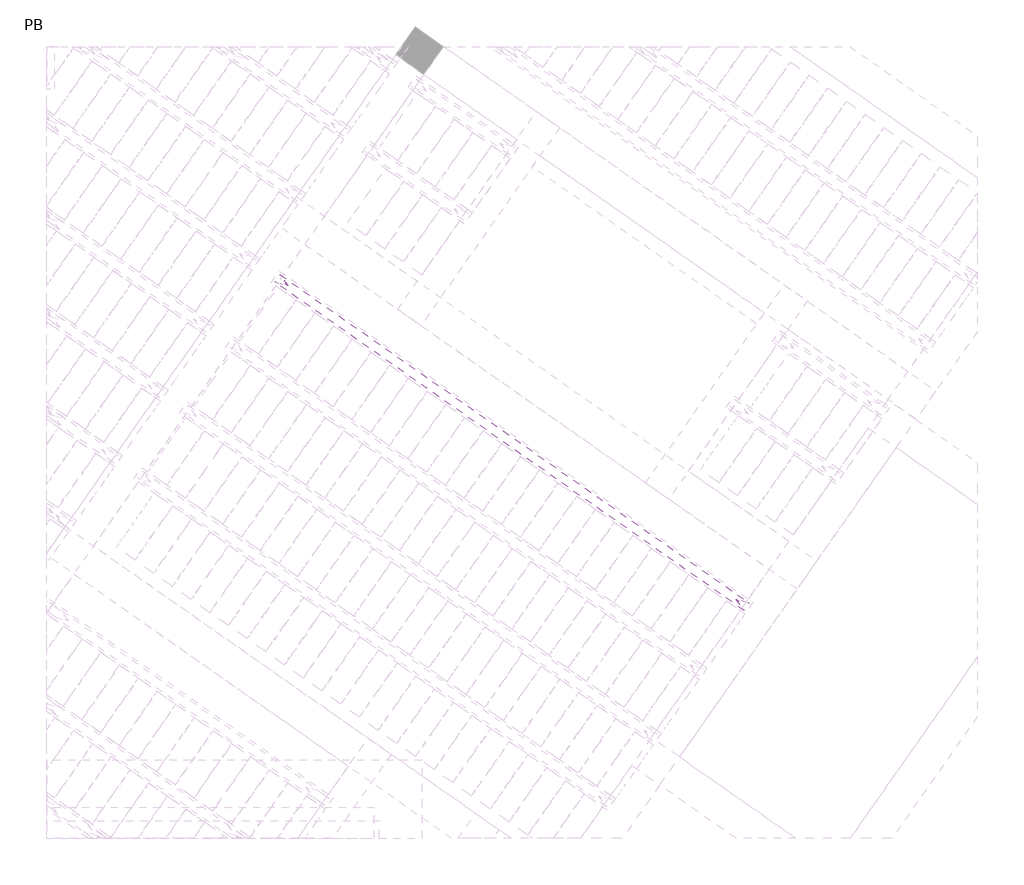
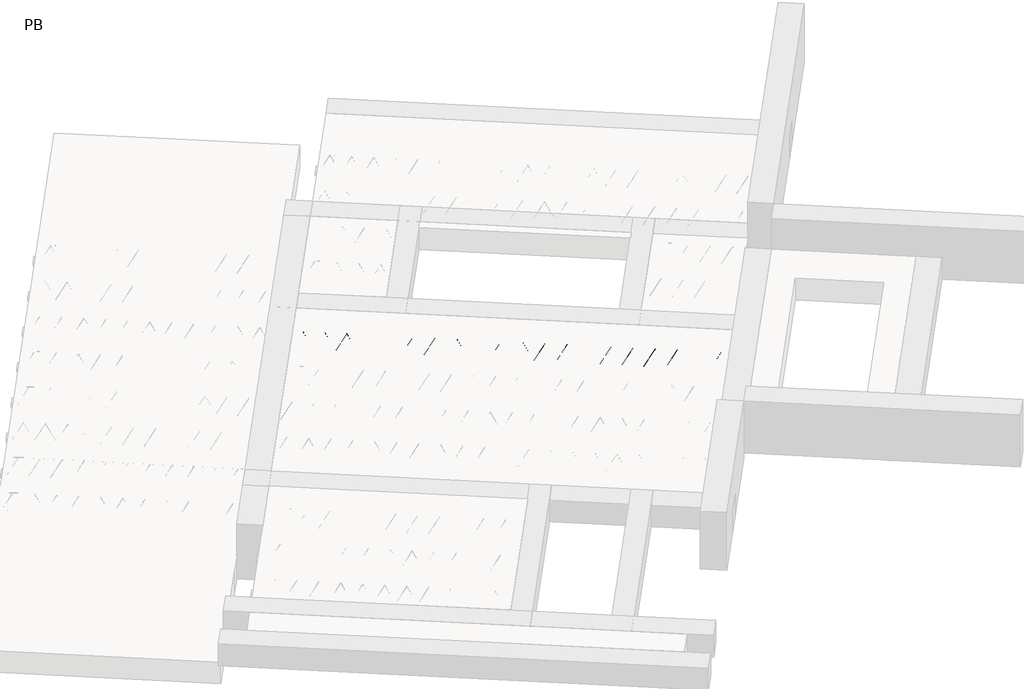
# One storey, part 37 of 56: 1 beam.
"""IFC4 building model written with IfcOpenShell, lengths in millimetres."""

import ifcopenshell
import ifcopenshell.guid

model = None  # the IFC model being written
_history = None  # IfcOwnerHistory: only IFC2X3 demands one
_inside = {}  # id of a spatial element -> (the spatial element, [elements in it])
_under = {}  # id of a project, library or spatial element -> (it, [spatial elements below it])
_declared = {}  # id of a project -> (the project, [libraries it declares])
_typed = {}  # id of a type object -> (the type object, [elements of that type])
_made_of = {}  # id of a material, layer set ... -> (it, [elements and type objects made of it])


def new_model(schema):
    """Start an empty IFC model of exactly this schema.

    Asked for "IFC4X3", IfcOpenShell would pick the latest addendum, in which some entities
    have other attributes; the version numbers below select the first issue.
    IFC2X3 requires an IfcOwnerHistory on every rooted entity: one is made here for all.
    """
    global model, _history
    if schema == "IFC4X3":
        model = ifcopenshell.file(schema_version=(4, 3, 0, 0))
    else:
        model = ifcopenshell.file(schema=schema)
    _inside.clear()
    _under.clear()
    _declared.clear()
    _typed.clear()
    _made_of.clear()
    _history = None
    if model.schema == "IFC2X3":
        org = make("IfcOrganization", Name="unknown")
        user = make(
            "IfcPersonAndOrganization",
            ThePerson=make("IfcPerson", FamilyName="unknown"),
            TheOrganization=org,
        )
        app = make(
            "IfcApplication",
            ApplicationDeveloper=org,
            Version="unknown",
            ApplicationFullName="unknown",
            ApplicationIdentifier="unknown",
        )
        _history = make(
            "IfcOwnerHistory",
            OwningUser=user,
            OwningApplication=app,
            ChangeAction="ADDED",
            CreationDate=0,
        )
    return model


def make(cls, **values):
    """One entity of the class cls with the attributes given. An attribute that is None is left unset."""
    return model.create_entity(
        cls, **{name: value for name, value in values.items() if value is not None}
    )


def rooted(cls, **values):
    """An entity with a GlobalId (a new one), such as an element, a storey or a relation."""
    return make(cls, GlobalId=ifcopenshell.guid.new(), OwnerHistory=_history, **values)


def si_unit(unit_type, name, prefix=None):
    """IfcSIUnit, for example si_unit("LENGTHUNIT", "METRE", prefix="MILLI")."""
    return make("IfcSIUnit", UnitType=unit_type, Prefix=prefix, Name=name)


def assignment(units):
    """IfcUnitAssignment: the units of a project."""
    return None if units is None else make("IfcUnitAssignment", Units=units)


def point(xyz):
    """IfcCartesianPoint."""
    return None if xyz is None else make("IfcCartesianPoint", Coordinates=xyz)


def direction(xyz):
    """IfcDirection."""
    return None if xyz is None else make("IfcDirection", DirectionRatios=xyz)


def frame(location, z_axis=None, x_axis=None):
    """IfcAxis2Placement3D, a coordinate frame: its origin and axes. An axis left out is left unset."""
    return make(
        "IfcAxis2Placement3D",
        Location=point(location),
        Axis=direction(z_axis),
        RefDirection=direction(x_axis),
    )


def frame_2d(location, x_axis=None):
    """IfcAxis2Placement2D, a coordinate frame in the plane: its origin and x axis."""
    return make(
        "IfcAxis2Placement2D", Location=point(location), RefDirection=direction(x_axis)
    )


def origin():
    """The frame at (0, 0, 0) with its axes left unset."""
    return frame((0.0, 0.0, 0.0))


def origin_2d():
    """The frame at (0, 0) in the plane with its x axis left unset."""
    return frame_2d((0.0, 0.0))


def place(relative_to, where):
    """IfcLocalPlacement: puts the frame where relative to a parent placement (None: the world)."""
    return make(
        "IfcLocalPlacement", PlacementRelTo=relative_to, RelativePlacement=where
    )


def context(
    kind, dimensions, precision=None, world=None, true_north=None, identifier=None
):
    """IfcGeometricRepresentationContext, for example the 3D "Model" context."""
    return make(
        "IfcGeometricRepresentationContext",
        ContextIdentifier=identifier,
        ContextType=kind,
        CoordinateSpaceDimension=dimensions,
        Precision=precision,
        WorldCoordinateSystem=world,
        TrueNorth=true_north,
    )


def project(units=None, contexts=None):
    """IfcProject with its units and contexts."""
    return rooted(
        "IfcProject",
        Name="project",
        RepresentationContexts=contexts,
        UnitsInContext=assignment(units),
    )


def spatial(cls, under=None, at=None, **own):
    """A site, building, storey or space (cls), placed at a placement, below another one or the project."""
    s = rooted(cls, ObjectPlacement=at, **own)
    if under is not None:
        _under.setdefault(under.id(), (under, []))[1].append(s)
    return s


def circle_curve(where, radius):
    """IfcCircle in the frame where."""
    return make("IfcCircle", Position=where, Radius=radius)


def trimmed(basis, trim1, trim2, sense, master):
    """IfcTrimmedCurve: the piece of a basis curve between two trims."""
    return make(
        "IfcTrimmedCurve",
        BasisCurve=basis,
        Trim1=trim1,
        Trim2=trim2,
        SenseAgreement=sense,
        MasterRepresentation=master,
    )


def segment(curve, same_sense, transition):
    """IfcCompositeCurveSegment."""
    return make(
        "IfcCompositeCurveSegment",
        Transition=transition,
        SameSense=same_sense,
        ParentCurve=curve,
    )


def composite_curve(segments, self_intersect=None):
    """IfcCompositeCurve: segments joined end to end."""
    return make("IfcCompositeCurve", Segments=segments, SelfIntersect=self_intersect)


def outline(outer, holes=None, kind="AREA"):
    """IfcArbitraryClosedProfileDef: a profile drawn as a closed curve; with holes, ...WithVoids."""
    if holes is None:
        return make("IfcArbitraryClosedProfileDef", ProfileType=kind, OuterCurve=outer)
    return make(
        "IfcArbitraryProfileDefWithVoids",
        ProfileType=kind,
        OuterCurve=outer,
        InnerCurves=holes,
    )


def extrude(swept, where, along, depth):
    """IfcExtrudedAreaSolid: the profile swept, set in the frame where, extruded along a direction by depth."""
    return make(
        "IfcExtrudedAreaSolid",
        SweptArea=swept,
        Position=where,
        ExtrudedDirection=direction(along),
        Depth=depth,
    )


def shape(context_of_items, identifier, shape_type, items):
    """IfcShapeRepresentation: the items that make up one representation, for example the "Body"."""
    return make(
        "IfcShapeRepresentation",
        ContextOfItems=context_of_items,
        RepresentationIdentifier=identifier,
        RepresentationType=shape_type,
        Items=items,
    )


def made_of(thing, what):
    """Note that an element or type object is made of a material, layer set ...; save() writes the relation."""
    if what is not None:
        _made_of.setdefault(what.id(), (what, []))[1].append(thing)
    return thing


def element(
    cls,
    number,
    at=None,
    inside=None,
    cuts=None,
    type_object=None,
    material=None,
    context=None,
    identifier="Body",
    shape_type=None,
    held_by="IfcProductDefinitionShape",
    body=None,
    shapes=None,
    **own,
):
    """One element of the class cls, such as IfcWall. Its Tag is "e" and its number.

    at: its placement. inside: the storey or other place that contains it. cuts: it is an
    opening in that element (IfcRelVoidsElement). A single representation is given by context,
    identifier, shape_type and body (its items); several are given by shapes. held_by: the class
    of the entity that holds the representations. save() writes the other relations.
    """
    e = rooted(cls, Tag="e%d" % number, ObjectPlacement=at, **own)
    if body is not None:
        shapes = [shape(context, identifier, shape_type, body)]
    if shapes is not None:
        e.Representation = make(held_by, Representations=shapes)
    if inside is not None:
        _inside.setdefault(inside.id(), (inside, []))[1].append(e)
    if cuts is not None:
        rooted(
            "IfcRelVoidsElement", RelatingBuildingElement=cuts, RelatedOpeningElement=e
        )
    if type_object is not None:
        _typed.setdefault(type_object.id(), (type_object, []))[1].append(e)
    return made_of(e, material)


def aggregate(whole, parts):
    """IfcRelAggregates: a whole, such as a stair, and the parts it consists of."""
    return rooted("IfcRelAggregates", RelatingObject=whole, RelatedObjects=parts)


def save(model, path):
    """Write the relations noted so far, then the file.

    IfcRelAggregates (storeys below a building ...), IfcRelContainedInSpatialStructure (elements
    in a storey), IfcRelDefinesByType, IfcRelAssociatesMaterial and IfcRelDeclares: one each for
    every whole, place, type object, material and project.
    """
    for whole, parts in _under.values():
        aggregate(whole, parts)
    for where, things in _inside.values():
        rooted(
            "IfcRelContainedInSpatialStructure",
            RelatedElements=things,
            RelatingStructure=where,
        )
    for kind, things in _typed.values():
        rooted("IfcRelDefinesByType", RelatedObjects=things, RelatingType=kind)
    for what, things in _made_of.values():
        rooted("IfcRelAssociatesMaterial", RelatedObjects=things, RelatingMaterial=what)
    for by, libraries in _declared.values():
        rooted("IfcRelDeclares", RelatingContext=by, RelatedDefinitions=libraries)
    model.write(path)


model = new_model("IFC4")

# Units and contexts
model_context = context("Model", 3, world=origin())
ifc_project = project(units=[si_unit("LENGTHUNIT", "METRE", prefix="MILLI")], contexts=[model_context])

# Site, building, storey
site = spatial("IfcSite", under=ifc_project)
building = spatial("IfcBuilding", under=site)
storey = spatial("IfcBuildingStorey", under=building, Name="PB", Elevation=95940.0)

# Beam
placement = place(None, origin())
element("IfcBeam", 1, at=placement, inside=storey, context=model_context, shape_type="SweptSolid", body=[
    extrude(outline(composite_curve([segment(trimmed(circle_curve(origin_2d(), 2.5), [point((-2.5, 0.0))], [point((2.5, 0.0))], False, "CARTESIAN"), True, "CONTINUOUS"), segment(trimmed(circle_curve(origin_2d(), 2.5), [point((2.5, 0.0))], [point((-2.5, 0.0))], False, "CARTESIAN"), True, "CONTINUOUS")], self_intersect=False)), frame((8673.5547395, 2623.8542636, 99245.0), z_axis=(-0.8191520442696126, 0.5735764363787226, 0.0), x_axis=(0.5735764363787226, 0.8191520442696126, 0.0)), (0.0, 0.0, 1.0), 5017.554035),
    extrude(outline(composite_curve([segment(trimmed(circle_curve(origin_2d(), 2.5), [point((-2.4999999, 0.0))], [point((2.5, 0.0))], False, "CARTESIAN"), True, "CONTINUOUS"), segment(trimmed(circle_curve(origin_2d(), 2.5), [point((2.5, 0.0))], [point((-2.4999999, 0.0))], False, "CARTESIAN"), True, "CONTINUOUS")], self_intersect=False)), frame((8625.5773761, 2701.3962603, 99470.0), z_axis=(-0.8191520442696126, 0.5735764363787226, 0.0), x_axis=(0.5735764363787226, 0.8191520442696126, 0.0)), (0.0, 0.0, 1.0), 4850.0),
    extrude(outline(composite_curve([segment(trimmed(circle_curve(origin_2d(), 2.5), [point((-2.5000001, 0.0))], [point((2.5, 0.0))], False, "CARTESIAN"), True, "CONTINUOUS"), segment(trimmed(circle_curve(origin_2d(), 2.5), [point((2.5, 0.0))], [point((-2.5000001, 0.0))], False, "CARTESIAN"), True, "CONTINUOUS")], self_intersect=False)), frame((8666.3650278, 2628.888554, 99245.0), z_axis=(-0.3145304735701046, 0.38933448886848654, 0.8657304643902053), x_axis=(0.7778747638402499, 0.6284193279813057, 0.0)), (0.0, 0.0, 1.0), 259.8961331),
    extrude(outline(composite_curve([segment(trimmed(circle_curve(origin_2d(), 2.5), [point((2.5000001, 0.0))], [point((-2.5, 0.0))], False, "CARTESIAN"), True, "CONTINUOUS"), segment(trimmed(circle_curve(origin_2d(), 2.5), [point((-2.5, 0.0))], [point((2.5000001, 0.0))], False, "CARTESIAN"), True, "CONTINUOUS")], self_intersect=False)), frame((8461.5770167, 2772.2826631, 99245.0), z_axis=(0.47343050384693375, -0.16240172737369005, 0.8657304643902051), x_axis=(-0.3244721671091268, -0.9458952440791246, 0.0)), (0.0, 0.0, 1.0), 259.8961331),
    extrude(outline(composite_curve([segment(trimmed(circle_curve(origin_2d(), 2.5), [point((-2.5, -1e-07))], [point((2.5, 0.0))], False, "CARTESIAN"), True, "CONTINUOUS"), segment(trimmed(circle_curve(origin_2d(), 2.5), [point((2.5, 0.0))], [point((-2.5, -1e-07))], False, "CARTESIAN"), True, "CONTINUOUS")], self_intersect=False)), frame((8461.5770167, 2772.2826631, 99245.0), z_axis=(-0.3145304735701046, 0.38933448886848654, 0.8657304643902053), x_axis=(0.7778747638402499, 0.6284193279813057, 0.0)), (0.0, 0.0, 1.0), 259.8961331),
    extrude(outline(composite_curve([segment(trimmed(circle_curve(origin_2d(), 2.5), [point((2.5000001, 0.0))], [point((-2.5, 0.0))], False, "CARTESIAN"), True, "CONTINUOUS"), segment(trimmed(circle_curve(origin_2d(), 2.5), [point((-2.5, 0.0))], [point((2.5000001, 0.0))], False, "CARTESIAN"), True, "CONTINUOUS")], self_intersect=False)), frame((8256.7890056, 2915.6767722, 99245.0), z_axis=(0.47343050384693375, -0.16240172737369005, 0.8657304643902051), x_axis=(-0.3244721671091268, -0.9458952440791246, 0.0)), (0.0, 0.0, 1.0), 259.8961331),
    extrude(outline(composite_curve([segment(trimmed(circle_curve(origin_2d(), 2.5), [point((-2.5, -1e-07))], [point((2.5, 0.0))], False, "CARTESIAN"), True, "CONTINUOUS"), segment(trimmed(circle_curve(origin_2d(), 2.5), [point((2.5, 0.0))], [point((-2.5, -1e-07))], False, "CARTESIAN"), True, "CONTINUOUS")], self_intersect=False)), frame((8256.7890056, 2915.6767722, 99245.0), z_axis=(-0.3145304735701046, 0.38933448886848654, 0.8657304643902053), x_axis=(0.7778747638402499, 0.6284193279813057, 0.0)), (0.0, 0.0, 1.0), 259.8961331),
    extrude(outline(composite_curve([segment(trimmed(circle_curve(origin_2d(), 2.5), [point((2.5, 0.0))], [point((-2.5000001, 0.0))], False, "CARTESIAN"), True, "CONTINUOUS"), segment(trimmed(circle_curve(origin_2d(), 2.5), [point((-2.5000001, 0.0))], [point((2.5, 0.0))], False, "CARTESIAN"), True, "CONTINUOUS")], self_intersect=False)), frame((8052.0009945, 3059.0708812, 99245.0), z_axis=(0.47343050384693375, -0.16240172737369005, 0.8657304643902051), x_axis=(-0.3244721671091268, -0.9458952440791246, 0.0)), (0.0, 0.0, 1.0), 259.8961331),
    extrude(outline(composite_curve([segment(trimmed(circle_curve(origin_2d(), 2.5), [point((-2.5, 0.0))], [point((2.5, 1e-07))], False, "CARTESIAN"), True, "CONTINUOUS"), segment(trimmed(circle_curve(origin_2d(), 2.5), [point((2.5, 1e-07))], [point((-2.5, 0.0))], False, "CARTESIAN"), True, "CONTINUOUS")], self_intersect=False)), frame((8052.0009945, 3059.0708812, 99245.0), z_axis=(-0.3145304735701046, 0.38933448886848654, 0.8657304643902053), x_axis=(0.7778747638402499, 0.6284193279813057, 0.0)), (0.0, 0.0, 1.0), 259.8961331),
    extrude(outline(composite_curve([segment(trimmed(circle_curve(origin_2d(), 2.5), [point((2.5, -1e-07))], [point((-2.5000001, 0.0))], False, "CARTESIAN"), True, "CONTINUOUS"), segment(trimmed(circle_curve(origin_2d(), 2.5), [point((-2.5000001, 0.0))], [point((2.5, -1e-07))], False, "CARTESIAN"), True, "CONTINUOUS")], self_intersect=False)), frame((7847.2129835, 3202.4649903, 99245.0), z_axis=(0.47343050384693375, -0.16240172737369005, 0.8657304643902051), x_axis=(-0.3244721671091268, -0.9458952440791246, 0.0)), (0.0, 0.0, 1.0), 259.8961331),
    extrude(outline(composite_curve([segment(trimmed(circle_curve(origin_2d(), 2.5), [point((-2.5, 0.0))], [point((2.5, 0.0))], False, "CARTESIAN"), True, "CONTINUOUS"), segment(trimmed(circle_curve(origin_2d(), 2.5), [point((2.5, 0.0))], [point((-2.5, 0.0))], False, "CARTESIAN"), True, "CONTINUOUS")], self_intersect=False)), frame((7847.2129838, 3202.4649901, 99245.0), z_axis=(-0.3145304735701046, 0.38933448886848654, 0.8657304643902053), x_axis=(0.7778747638402499, 0.6284193279813057, 0.0)), (0.0, 0.0, 1.0), 259.8961331),
    extrude(outline(composite_curve([segment(trimmed(circle_curve(origin_2d(), 2.5), [point((2.5, 0.0))], [point((-2.5, 0.0))], False, "CARTESIAN"), True, "CONTINUOUS"), segment(trimmed(circle_curve(origin_2d(), 2.5), [point((-2.5, 0.0))], [point((2.5, 0.0))], False, "CARTESIAN"), True, "CONTINUOUS")], self_intersect=False)), frame((7642.4249727, 3345.8590992, 99245.0), z_axis=(0.47343050384693375, -0.16240172737369005, 0.8657304643902051), x_axis=(-0.3244721671091268, -0.9458952440791246, 0.0)), (0.0, 0.0, 1.0), 259.8961331),
    extrude(outline(composite_curve([segment(trimmed(circle_curve(origin_2d(), 2.5), [point((-2.5, 0.0))], [point((2.5, 0.0))], False, "CARTESIAN"), True, "CONTINUOUS"), segment(trimmed(circle_curve(origin_2d(), 2.5), [point((2.5, 0.0))], [point((-2.5, 0.0))], False, "CARTESIAN"), True, "CONTINUOUS")], self_intersect=False)), frame((7642.4249727, 3345.8590992, 99245.0), z_axis=(-0.3145304735701046, 0.38933448886848654, 0.8657304643902053), x_axis=(0.7778747638402499, 0.6284193279813057, 0.0)), (0.0, 0.0, 1.0), 259.8961331),
    extrude(outline(composite_curve([segment(trimmed(circle_curve(origin_2d(), 2.5), [point((2.5, -1e-07))], [point((-2.5, 0.0))], False, "CARTESIAN"), True, "CONTINUOUS"), segment(trimmed(circle_curve(origin_2d(), 2.5), [point((-2.5, 0.0))], [point((2.5, -1e-07))], False, "CARTESIAN"), True, "CONTINUOUS")], self_intersect=False)), frame((7437.6369617, 3489.2532083, 99245.0), z_axis=(0.47343050384693375, -0.16240172737369005, 0.8657304643902051), x_axis=(-0.3244721671091268, -0.9458952440791246, 0.0)), (0.0, 0.0, 1.0), 259.8961331),
    extrude(outline(composite_curve([segment(trimmed(circle_curve(origin_2d(), 2.5), [point((-2.5000001, 1e-07))], [point((2.5, 0.0))], False, "CARTESIAN"), True, "CONTINUOUS"), segment(trimmed(circle_curve(origin_2d(), 2.5), [point((2.5, 0.0))], [point((-2.5000001, 1e-07))], False, "CARTESIAN"), True, "CONTINUOUS")], self_intersect=False)), frame((7437.6369617, 3489.2532083, 99245.0), z_axis=(-0.3145304735701046, 0.38933448886848654, 0.8657304643902053), x_axis=(0.7778747638402499, 0.6284193279813057, 0.0)), (0.0, 0.0, 1.0), 259.8961331),
    extrude(outline(composite_curve([segment(trimmed(circle_curve(origin_2d(), 2.5), [point((2.5, 0.0))], [point((-2.5, 0.0))], False, "CARTESIAN"), True, "CONTINUOUS"), segment(trimmed(circle_curve(origin_2d(), 2.5), [point((-2.5, 0.0))], [point((2.5, 0.0))], False, "CARTESIAN"), True, "CONTINUOUS")], self_intersect=False)), frame((7232.8489506, 3632.6473174, 99245.0), z_axis=(0.47343050384693375, -0.16240172737369005, 0.8657304643902051), x_axis=(-0.3244721671091268, -0.9458952440791246, 0.0)), (0.0, 0.0, 1.0), 259.8961331),
    extrude(outline(composite_curve([segment(trimmed(circle_curve(origin_2d(), 2.5), [point((-2.5, 0.0))], [point((2.5, 0.0))], False, "CARTESIAN"), True, "CONTINUOUS"), segment(trimmed(circle_curve(origin_2d(), 2.5), [point((2.5, 0.0))], [point((-2.5, 0.0))], False, "CARTESIAN"), True, "CONTINUOUS")], self_intersect=False)), frame((7232.8489506, 3632.6473174, 99245.0), z_axis=(-0.3145304735701046, 0.38933448886848654, 0.8657304643902053), x_axis=(0.7778747638402499, 0.6284193279813057, 0.0)), (0.0, 0.0, 1.0), 259.8961331),
    extrude(outline(composite_curve([segment(trimmed(circle_curve(origin_2d(), 2.5), [point((2.5, 0.0))], [point((-2.5, 0.0))], False, "CARTESIAN"), True, "CONTINUOUS"), segment(trimmed(circle_curve(origin_2d(), 2.5), [point((-2.5, 0.0))], [point((2.5, 0.0))], False, "CARTESIAN"), True, "CONTINUOUS")], self_intersect=False)), frame((7028.0609395, 3776.0414265, 99245.0), z_axis=(0.47343050384693375, -0.16240172737369005, 0.8657304643902051), x_axis=(-0.3244721671091268, -0.9458952440791246, 0.0)), (0.0, 0.0, 1.0), 259.8961331),
    extrude(outline(composite_curve([segment(trimmed(circle_curve(origin_2d(), 2.5), [point((-2.5, 0.0))], [point((2.5, 0.0))], False, "CARTESIAN"), True, "CONTINUOUS"), segment(trimmed(circle_curve(origin_2d(), 2.5), [point((2.5, 0.0))], [point((-2.5, 0.0))], False, "CARTESIAN"), True, "CONTINUOUS")], self_intersect=False)), frame((7028.0609395, 3776.0414265, 99245.0), z_axis=(-0.3145304735701046, 0.38933448886848654, 0.8657304643902053), x_axis=(0.7778747638402499, 0.6284193279813057, 0.0)), (0.0, 0.0, 1.0), 259.8961331),
    extrude(outline(composite_curve([segment(trimmed(circle_curve(origin_2d(), 2.5), [point((2.5, -1e-07))], [point((-2.5, 0.0))], False, "CARTESIAN"), True, "CONTINUOUS"), segment(trimmed(circle_curve(origin_2d(), 2.5), [point((-2.5, 0.0))], [point((2.5, -1e-07))], False, "CARTESIAN"), True, "CONTINUOUS")], self_intersect=False)), frame((6823.2729285, 3919.4355356, 99245.0), z_axis=(0.47343050384693375, -0.16240172737369005, 0.8657304643902051), x_axis=(-0.3244721671091268, -0.9458952440791246, 0.0)), (0.0, 0.0, 1.0), 259.8961331),
    extrude(outline(composite_curve([segment(trimmed(circle_curve(origin_2d(), 2.5), [point((-2.5000001, 1e-07))], [point((2.5, 0.0))], False, "CARTESIAN"), True, "CONTINUOUS"), segment(trimmed(circle_curve(origin_2d(), 2.5), [point((2.5, 0.0))], [point((-2.5000001, 1e-07))], False, "CARTESIAN"), True, "CONTINUOUS")], self_intersect=False)), frame((6823.2729285, 3919.4355356, 99245.0), z_axis=(-0.3145304735701046, 0.38933448886848654, 0.8657304643902053), x_axis=(0.7778747638402499, 0.6284193279813057, 0.0)), (0.0, 0.0, 1.0), 259.8961331),
    extrude(outline(composite_curve([segment(trimmed(circle_curve(origin_2d(), 2.5), [point((2.5, 0.0))], [point((-2.5, 0.0))], False, "CARTESIAN"), True, "CONTINUOUS"), segment(trimmed(circle_curve(origin_2d(), 2.5), [point((-2.5, 0.0))], [point((2.5, 0.0))], False, "CARTESIAN"), True, "CONTINUOUS")], self_intersect=False)), frame((6618.4849174, 4062.8296447, 99245.0), z_axis=(0.47343050384693375, -0.16240172737369005, 0.8657304643902051), x_axis=(-0.3244721671091268, -0.9458952440791246, 0.0)), (0.0, 0.0, 1.0), 259.8961331),
    extrude(outline(composite_curve([segment(trimmed(circle_curve(origin_2d(), 2.5), [point((-2.5, 0.0))], [point((2.5, 0.0))], False, "CARTESIAN"), True, "CONTINUOUS"), segment(trimmed(circle_curve(origin_2d(), 2.5), [point((2.5, 0.0))], [point((-2.5, 0.0))], False, "CARTESIAN"), True, "CONTINUOUS")], self_intersect=False)), frame((6618.4849174, 4062.8296447, 99245.0), z_axis=(-0.3145304735701046, 0.38933448886848654, 0.8657304643902053), x_axis=(0.7778747638402499, 0.6284193279813057, 0.0)), (0.0, 0.0, 1.0), 259.8961331),
    extrude(outline(composite_curve([segment(trimmed(circle_curve(origin_2d(), 2.5), [point((2.5, 0.0))], [point((-2.5, 0.0))], False, "CARTESIAN"), True, "CONTINUOUS"), segment(trimmed(circle_curve(origin_2d(), 2.5), [point((-2.5, 0.0))], [point((2.5, 0.0))], False, "CARTESIAN"), True, "CONTINUOUS")], self_intersect=False)), frame((6413.6969063, 4206.2237538, 99245.0), z_axis=(0.47343050384693375, -0.16240172737369005, 0.8657304643902051), x_axis=(-0.3244721671091268, -0.9458952440791246, 0.0)), (0.0, 0.0, 1.0), 259.8961331),
    extrude(outline(composite_curve([segment(trimmed(circle_curve(origin_2d(), 2.5), [point((-2.5, 0.0))], [point((2.5, 0.0))], False, "CARTESIAN"), True, "CONTINUOUS"), segment(trimmed(circle_curve(origin_2d(), 2.5), [point((2.5, 0.0))], [point((-2.5, 0.0))], False, "CARTESIAN"), True, "CONTINUOUS")], self_intersect=False)), frame((6413.6969063, 4206.2237538, 99245.0), z_axis=(-0.3145304735701046, 0.38933448886848654, 0.8657304643902053), x_axis=(0.7778747638402499, 0.6284193279813057, 0.0)), (0.0, 0.0, 1.0), 259.8961331),
    extrude(outline(composite_curve([segment(trimmed(circle_curve(origin_2d(), 2.5), [point((2.5, -1e-07))], [point((-2.5, 0.0))], False, "CARTESIAN"), True, "CONTINUOUS"), segment(trimmed(circle_curve(origin_2d(), 2.5), [point((-2.5, 0.0))], [point((2.5, -1e-07))], False, "CARTESIAN"), True, "CONTINUOUS")], self_intersect=False)), frame((6208.9088953, 4349.6178629, 99245.0), z_axis=(0.47343050384693375, -0.16240172737369005, 0.8657304643902051), x_axis=(-0.3244721671091268, -0.9458952440791246, 0.0)), (0.0, 0.0, 1.0), 259.8961331),
    extrude(outline(composite_curve([segment(trimmed(circle_curve(origin_2d(), 2.5), [point((-2.5000001, 1e-07))], [point((2.5, 0.0))], False, "CARTESIAN"), True, "CONTINUOUS"), segment(trimmed(circle_curve(origin_2d(), 2.5), [point((2.5, 0.0))], [point((-2.5000001, 1e-07))], False, "CARTESIAN"), True, "CONTINUOUS")], self_intersect=False)), frame((6208.9088953, 4349.6178629, 99245.0), z_axis=(-0.3145304735701046, 0.38933448886848654, 0.8657304643902053), x_axis=(0.7778747638402499, 0.6284193279813057, 0.0)), (0.0, 0.0, 1.0), 259.8961331),
    extrude(outline(composite_curve([segment(trimmed(circle_curve(origin_2d(), 2.5), [point((2.5, 0.0))], [point((-2.5, 0.0))], False, "CARTESIAN"), True, "CONTINUOUS"), segment(trimmed(circle_curve(origin_2d(), 2.5), [point((-2.5, 0.0))], [point((2.5, 0.0))], False, "CARTESIAN"), True, "CONTINUOUS")], self_intersect=False)), frame((6004.1208842, 4493.011972, 99245.0), z_axis=(0.47343050384693375, -0.16240172737369005, 0.8657304643902051), x_axis=(-0.3244721671091268, -0.9458952440791246, 0.0)), (0.0, 0.0, 1.0), 259.8961331),
    extrude(outline(composite_curve([segment(trimmed(circle_curve(origin_2d(), 2.5), [point((-2.5, -1e-07))], [point((2.5, 0.0))], False, "CARTESIAN"), True, "CONTINUOUS"), segment(trimmed(circle_curve(origin_2d(), 2.5), [point((2.5, 0.0))], [point((-2.5, -1e-07))], False, "CARTESIAN"), True, "CONTINUOUS")], self_intersect=False)), frame((6004.1208842, 4493.011972, 99245.0), z_axis=(-0.3145304735701046, 0.38933448886848654, 0.8657304643902053), x_axis=(0.7778747638402499, 0.6284193279813057, 0.0)), (0.0, 0.0, 1.0), 259.8961331),
    extrude(outline(composite_curve([segment(trimmed(circle_curve(origin_2d(), 2.5), [point((2.5, 0.0))], [point((-2.5, 0.0))], False, "CARTESIAN"), True, "CONTINUOUS"), segment(trimmed(circle_curve(origin_2d(), 2.5), [point((-2.5, 0.0))], [point((2.5, 0.0))], False, "CARTESIAN"), True, "CONTINUOUS")], self_intersect=False)), frame((5799.3328731, 4636.4060811, 99245.0), z_axis=(0.47343050384693375, -0.16240172737369005, 0.8657304643902051), x_axis=(-0.3244721671091268, -0.9458952440791246, 0.0)), (0.0, 0.0, 1.0), 259.8961331),
    extrude(outline(composite_curve([segment(trimmed(circle_curve(origin_2d(), 2.5), [point((-2.5, -1e-07))], [point((2.5, 0.0))], False, "CARTESIAN"), True, "CONTINUOUS"), segment(trimmed(circle_curve(origin_2d(), 2.5), [point((2.5, 0.0))], [point((-2.5, -1e-07))], False, "CARTESIAN"), True, "CONTINUOUS")], self_intersect=False)), frame((5799.3328731, 4636.4060811, 99245.0), z_axis=(-0.3145304735701046, 0.38933448886848654, 0.8657304643902053), x_axis=(0.7778747638402499, 0.6284193279813057, 0.0)), (0.0, 0.0, 1.0), 259.8961331),
    extrude(outline(composite_curve([segment(trimmed(circle_curve(origin_2d(), 2.5), [point((2.5000001, 0.0))], [point((-2.5, 0.0))], False, "CARTESIAN"), True, "CONTINUOUS"), segment(trimmed(circle_curve(origin_2d(), 2.5), [point((-2.5, 0.0))], [point((2.5000001, 0.0))], False, "CARTESIAN"), True, "CONTINUOUS")], self_intersect=False)), frame((5594.5448621, 4779.8001902, 99245.0), z_axis=(0.47343050384693375, -0.16240172737369005, 0.8657304643902051), x_axis=(-0.3244721671091268, -0.9458952440791246, 0.0)), (0.0, 0.0, 1.0), 259.8961331),
    extrude(outline(composite_curve([segment(trimmed(circle_curve(origin_2d(), 2.5), [point((-2.5000001, 0.0))], [point((2.5, 0.0))], False, "CARTESIAN"), True, "CONTINUOUS"), segment(trimmed(circle_curve(origin_2d(), 2.5), [point((2.5, 0.0))], [point((-2.5000001, 0.0))], False, "CARTESIAN"), True, "CONTINUOUS")], self_intersect=False)), frame((5594.5448621, 4779.8001902, 99245.0), z_axis=(-0.3145304735701046, 0.38933448886848654, 0.8657304643902053), x_axis=(0.7778747638402499, 0.6284193279813057, 0.0)), (0.0, 0.0, 1.0), 259.8961331),
    extrude(outline(composite_curve([segment(trimmed(circle_curve(origin_2d(), 2.5), [point((2.5, 0.0))], [point((-2.5000001, 0.0))], False, "CARTESIAN"), True, "CONTINUOUS"), segment(trimmed(circle_curve(origin_2d(), 2.5), [point((-2.5000001, 0.0))], [point((2.5, 0.0))], False, "CARTESIAN"), True, "CONTINUOUS")], self_intersect=False)), frame((5389.756851, 4923.1942992, 99245.0), z_axis=(0.47343050384693375, -0.16240172737369005, 0.8657304643902051), x_axis=(-0.3244721671091268, -0.9458952440791246, 0.0)), (0.0, 0.0, 1.0), 259.8961331),
    extrude(outline(composite_curve([segment(trimmed(circle_curve(origin_2d(), 2.5), [point((-2.5, -1e-07))], [point((2.5, 0.0))], False, "CARTESIAN"), True, "CONTINUOUS"), segment(trimmed(circle_curve(origin_2d(), 2.5), [point((2.5, 0.0))], [point((-2.5, -1e-07))], False, "CARTESIAN"), True, "CONTINUOUS")], self_intersect=False)), frame((5389.756851, 4923.1942993, 99245.0), z_axis=(-0.3145304735701046, 0.38933448886848654, 0.8657304643902053), x_axis=(0.7778747638402499, 0.6284193279813057, 0.0)), (0.0, 0.0, 1.0), 259.8961331),
    extrude(outline(composite_curve([segment(trimmed(circle_curve(origin_2d(), 2.5), [point((2.5, 0.0))], [point((-2.5000001, 0.0))], False, "CARTESIAN"), True, "CONTINUOUS"), segment(trimmed(circle_curve(origin_2d(), 2.5), [point((-2.5000001, 0.0))], [point((2.5, 0.0))], False, "CARTESIAN"), True, "CONTINUOUS")], self_intersect=False)), frame((5184.9688399, 5066.5884083, 99245.0), z_axis=(0.47343050384693375, -0.16240172737369005, 0.8657304643902051), x_axis=(-0.3244721671091268, -0.9458952440791246, 0.0)), (0.0, 0.0, 1.0), 259.8961331),
    extrude(outline(composite_curve([segment(trimmed(circle_curve(origin_2d(), 2.5), [point((-2.5, 0.0))], [point((2.5, 1e-07))], False, "CARTESIAN"), True, "CONTINUOUS"), segment(trimmed(circle_curve(origin_2d(), 2.5), [point((2.5, 1e-07))], [point((-2.5, 0.0))], False, "CARTESIAN"), True, "CONTINUOUS")], self_intersect=False)), frame((5184.9688399, 5066.5884083, 99245.0), z_axis=(-0.3145304735701046, 0.38933448886848654, 0.8657304643902053), x_axis=(0.7778747638402499, 0.6284193279813057, 0.0)), (0.0, 0.0, 1.0), 259.8961331),
    extrude(outline(composite_curve([segment(trimmed(circle_curve(origin_2d(), 2.5), [point((2.5, -1e-07))], [point((-2.5, 0.0))], False, "CARTESIAN"), True, "CONTINUOUS"), segment(trimmed(circle_curve(origin_2d(), 2.5), [point((-2.5, 0.0))], [point((2.5, -1e-07))], False, "CARTESIAN"), True, "CONTINUOUS")], self_intersect=False)), frame((4980.1808289, 5209.9825174, 99245.0), z_axis=(0.47343050384693375, -0.16240172737369005, 0.8657304643902051), x_axis=(-0.3244721671091268, -0.9458952440791246, 0.0)), (0.0, 0.0, 1.0), 259.8961331),
    extrude(outline(composite_curve([segment(trimmed(circle_curve(origin_2d(), 2.5), [point((-2.5, 0.0))], [point((2.5000001, 0.0))], False, "CARTESIAN"), True, "CONTINUOUS"), segment(trimmed(circle_curve(origin_2d(), 2.5), [point((2.5000001, 0.0))], [point((-2.5, 0.0))], False, "CARTESIAN"), True, "CONTINUOUS")], self_intersect=False)), frame((4980.1808288, 5209.9825174, 99245.0), z_axis=(-0.3145304735701046, 0.38933448886848654, 0.8657304643902053), x_axis=(0.7778747638402499, 0.6284193279813057, 0.0)), (0.0, 0.0, 1.0), 259.8961331),
    extrude(outline(composite_curve([segment(trimmed(circle_curve(origin_2d(), 2.5), [point((2.5, 0.0))], [point((-2.5, 0.0))], False, "CARTESIAN"), True, "CONTINUOUS"), segment(trimmed(circle_curve(origin_2d(), 2.5), [point((-2.5, 0.0))], [point((2.5, 0.0))], False, "CARTESIAN"), True, "CONTINUOUS")], self_intersect=False)), frame((4775.3928178, 5353.3766265, 99245.0), z_axis=(0.47343050384693375, -0.16240172737369005, 0.8657304643902051), x_axis=(-0.3244721671091268, -0.9458952440791246, 0.0)), (0.0, 0.0, 1.0), 259.8961331),
    extrude(outline(composite_curve([segment(trimmed(circle_curve(origin_2d(), 2.5), [point((-2.5, 0.0))], [point((2.5, 1e-07))], False, "CARTESIAN"), True, "CONTINUOUS"), segment(trimmed(circle_curve(origin_2d(), 2.5), [point((2.5, 1e-07))], [point((-2.5, 0.0))], False, "CARTESIAN"), True, "CONTINUOUS")], self_intersect=False)), frame((4775.3928178, 5353.3766265, 99245.0), z_axis=(-0.3145304735701046, 0.38933448886848654, 0.8657304643902053), x_axis=(0.7778747638402499, 0.6284193279813057, 0.0)), (0.0, 0.0, 1.0), 259.8961331),
    extrude(outline(composite_curve([segment(trimmed(circle_curve(origin_2d(), 2.5), [point((2.5, 0.0))], [point((-2.5, 0.0))], False, "CARTESIAN"), True, "CONTINUOUS"), segment(trimmed(circle_curve(origin_2d(), 2.5), [point((-2.5, 0.0))], [point((2.5, 0.0))], False, "CARTESIAN"), True, "CONTINUOUS")], self_intersect=False)), frame((4570.6048067, 5496.7707356, 99245.0), z_axis=(0.47343050384693375, -0.16240172737369005, 0.8657304643902051), x_axis=(-0.3244721671091268, -0.9458952440791246, 0.0)), (0.0, 0.0, 1.0), 259.8961331),
    extrude(outline(composite_curve([segment(trimmed(circle_curve(origin_2d(), 2.5), [point((-2.5, 0.0))], [point((2.5, 0.0))], False, "CARTESIAN"), True, "CONTINUOUS"), segment(trimmed(circle_curve(origin_2d(), 2.5), [point((2.5, 0.0))], [point((-2.5, 0.0))], False, "CARTESIAN"), True, "CONTINUOUS")], self_intersect=False)), frame((8714.8522429, 2682.8332108, 99245.0), z_axis=(-0.8191520442696126, 0.5735764363787226, 0.0), x_axis=(0.5735764363787226, 0.8191520442696126, 0.0)), (0.0, 0.0, 1.0), 5017.554035),
    extrude(outline(composite_curve([segment(trimmed(circle_curve(origin_2d(), 2.5), [point((-2.5, 0.0))], [point((2.5, 0.0))], False, "CARTESIAN"), True, "CONTINUOUS"), segment(trimmed(circle_curve(origin_2d(), 2.5), [point((2.5, 0.0))], [point((-2.5, 0.0))], False, "CARTESIAN"), True, "CONTINUOUS")], self_intersect=False)), frame((8707.6625312, 2687.8675011, 99245.0), z_axis=(-0.47343050384693375, 0.16240172737369005, 0.8657304643902051), x_axis=(0.3244721671091268, 0.9458952440791246, 0.0)), (0.0, 0.0, 1.0), 259.8961331),
    extrude(outline(composite_curve([segment(trimmed(circle_curve(origin_2d(), 2.5), [point((2.5, 0.0))], [point((-2.5, -1e-07))], False, "CARTESIAN"), True, "CONTINUOUS"), segment(trimmed(circle_curve(origin_2d(), 2.5), [point((-2.5, -1e-07))], [point((2.5, 0.0))], False, "CARTESIAN"), True, "CONTINUOUS")], self_intersect=False)), frame((8502.8745201, 2831.2616102, 99245.0), z_axis=(0.3145304735701046, -0.38933448886848654, 0.8657304643902053), x_axis=(-0.7778747638402499, -0.6284193279813057, 0.0)), (0.0, 0.0, 1.0), 259.8961331),
    extrude(outline(composite_curve([segment(trimmed(circle_curve(origin_2d(), 2.5), [point((-2.5, 0.0))], [point((2.5000001, 0.0))], False, "CARTESIAN"), True, "CONTINUOUS"), segment(trimmed(circle_curve(origin_2d(), 2.5), [point((2.5000001, 0.0))], [point((-2.5, 0.0))], False, "CARTESIAN"), True, "CONTINUOUS")], self_intersect=False)), frame((8502.8745201, 2831.2616102, 99245.0), z_axis=(-0.47343050384693375, 0.16240172737369005, 0.8657304643902051), x_axis=(0.3244721671091268, 0.9458952440791246, 0.0)), (0.0, 0.0, 1.0), 259.8961331),
    extrude(outline(composite_curve([segment(trimmed(circle_curve(origin_2d(), 2.5), [point((2.5, 0.0))], [point((-2.5, -1e-07))], False, "CARTESIAN"), True, "CONTINUOUS"), segment(trimmed(circle_curve(origin_2d(), 2.5), [point((-2.5, -1e-07))], [point((2.5, 0.0))], False, "CARTESIAN"), True, "CONTINUOUS")], self_intersect=False)), frame((8298.086509, 2974.6557193, 99245.0), z_axis=(0.3145304735701046, -0.38933448886848654, 0.8657304643902053), x_axis=(-0.7778747638402499, -0.6284193279813057, 0.0)), (0.0, 0.0, 1.0), 259.8961331),
    extrude(outline(composite_curve([segment(trimmed(circle_curve(origin_2d(), 2.5), [point((-2.5, 0.0))], [point((2.5000001, 0.0))], False, "CARTESIAN"), True, "CONTINUOUS"), segment(trimmed(circle_curve(origin_2d(), 2.5), [point((2.5000001, 0.0))], [point((-2.5, 0.0))], False, "CARTESIAN"), True, "CONTINUOUS")], self_intersect=False)), frame((8298.086509, 2974.6557193, 99245.0), z_axis=(-0.47343050384693375, 0.16240172737369005, 0.8657304643902051), x_axis=(0.3244721671091268, 0.9458952440791246, 0.0)), (0.0, 0.0, 1.0), 259.8961331),
    extrude(outline(composite_curve([segment(trimmed(circle_curve(origin_2d(), 2.5), [point((2.5000001, -1e-07))], [point((-2.5, -1e-07))], False, "CARTESIAN"), True, "CONTINUOUS"), segment(trimmed(circle_curve(origin_2d(), 2.5), [point((-2.5, -1e-07))], [point((2.5000001, -1e-07))], False, "CARTESIAN"), True, "CONTINUOUS")], self_intersect=False)), frame((8093.298498, 3118.0498284, 99245.0), z_axis=(0.3145304735701046, -0.38933448886848654, 0.8657304643902053), x_axis=(-0.7778747638402499, -0.6284193279813057, 0.0)), (0.0, 0.0, 1.0), 259.8961331),
    extrude(outline(composite_curve([segment(trimmed(circle_curve(origin_2d(), 2.5), [point((-2.5, 1e-07))], [point((2.5, 0.0))], False, "CARTESIAN"), True, "CONTINUOUS"), segment(trimmed(circle_curve(origin_2d(), 2.5), [point((2.5, 0.0))], [point((-2.5, 1e-07))], False, "CARTESIAN"), True, "CONTINUOUS")], self_intersect=False)), frame((8093.298498, 3118.0498284, 99245.0), z_axis=(-0.47343050384693375, 0.16240172737369005, 0.8657304643902051), x_axis=(0.3244721671091268, 0.9458952440791246, 0.0)), (0.0, 0.0, 1.0), 259.8961331),
    extrude(outline(composite_curve([segment(trimmed(circle_curve(origin_2d(), 2.5), [point((2.5, 0.0))], [point((-2.5, 0.0))], False, "CARTESIAN"), True, "CONTINUOUS"), segment(trimmed(circle_curve(origin_2d(), 2.5), [point((-2.5, 0.0))], [point((2.5, 0.0))], False, "CARTESIAN"), True, "CONTINUOUS")], self_intersect=False)), frame((7888.5104869, 3261.4439375, 99245.0), z_axis=(0.3145304735701046, -0.38933448886848654, 0.8657304643902053), x_axis=(-0.7778747638402499, -0.6284193279813057, 0.0)), (0.0, 0.0, 1.0), 259.8961331),
    extrude(outline(composite_curve([segment(trimmed(circle_curve(origin_2d(), 2.5), [point((-2.5, 0.0))], [point((2.5, 0.0))], False, "CARTESIAN"), True, "CONTINUOUS"), segment(trimmed(circle_curve(origin_2d(), 2.5), [point((2.5, 0.0))], [point((-2.5, 0.0))], False, "CARTESIAN"), True, "CONTINUOUS")], self_intersect=False)), frame((7888.5104872, 3261.4439373, 99245.0), z_axis=(-0.47343050384693375, 0.16240172737369005, 0.8657304643902051), x_axis=(0.3244721671091268, 0.9458952440791246, 0.0)), (0.0, 0.0, 1.0), 259.8961331),
    extrude(outline(composite_curve([segment(trimmed(circle_curve(origin_2d(), 2.5), [point((2.5, 0.0))], [point((-2.5000001, 1e-07))], False, "CARTESIAN"), True, "CONTINUOUS"), segment(trimmed(circle_curve(origin_2d(), 2.5), [point((-2.5000001, 1e-07))], [point((2.5, 0.0))], False, "CARTESIAN"), True, "CONTINUOUS")], self_intersect=False)), frame((7683.7224761, 3404.8380464, 99245.0), z_axis=(0.3145304735701046, -0.38933448886848654, 0.8657304643902053), x_axis=(-0.7778747638402499, -0.6284193279813057, 0.0)), (0.0, 0.0, 1.0), 259.8961331),
    extrude(outline(composite_curve([segment(trimmed(circle_curve(origin_2d(), 2.5), [point((-2.5, 0.0))], [point((2.5, -1e-07))], False, "CARTESIAN"), True, "CONTINUOUS"), segment(trimmed(circle_curve(origin_2d(), 2.5), [point((2.5, -1e-07))], [point((-2.5, 0.0))], False, "CARTESIAN"), True, "CONTINUOUS")], self_intersect=False)), frame((7683.7224761, 3404.8380464, 99245.0), z_axis=(-0.47343050384693375, 0.16240172737369005, 0.8657304643902051), x_axis=(0.3244721671091268, 0.9458952440791246, 0.0)), (0.0, 0.0, 1.0), 259.8961331),
    extrude(outline(composite_curve([segment(trimmed(circle_curve(origin_2d(), 2.5), [point((2.5, 0.0))], [point((-2.5, 0.0))], False, "CARTESIAN"), True, "CONTINUOUS"), segment(trimmed(circle_curve(origin_2d(), 2.5), [point((-2.5, 0.0))], [point((2.5, 0.0))], False, "CARTESIAN"), True, "CONTINUOUS")], self_intersect=False)), frame((7478.9344651, 3548.2321555, 99245.0), z_axis=(0.3145304735701046, -0.38933448886848654, 0.8657304643902053), x_axis=(-0.7778747638402499, -0.6284193279813057, 0.0)), (0.0, 0.0, 1.0), 259.8961331),
    extrude(outline(composite_curve([segment(trimmed(circle_curve(origin_2d(), 2.5), [point((-2.5, 0.0))], [point((2.5, 0.0))], False, "CARTESIAN"), True, "CONTINUOUS"), segment(trimmed(circle_curve(origin_2d(), 2.5), [point((2.5, 0.0))], [point((-2.5, 0.0))], False, "CARTESIAN"), True, "CONTINUOUS")], self_intersect=False)), frame((7478.9344651, 3548.2321555, 99245.0), z_axis=(-0.47343050384693375, 0.16240172737369005, 0.8657304643902051), x_axis=(0.3244721671091268, 0.9458952440791246, 0.0)), (0.0, 0.0, 1.0), 259.8961331),
    extrude(outline(composite_curve([segment(trimmed(circle_curve(origin_2d(), 2.5), [point((2.5, 0.0))], [point((-2.5, 0.0))], False, "CARTESIAN"), True, "CONTINUOUS"), segment(trimmed(circle_curve(origin_2d(), 2.5), [point((-2.5, 0.0))], [point((2.5, 0.0))], False, "CARTESIAN"), True, "CONTINUOUS")], self_intersect=False)), frame((7274.146454, 3691.6262646, 99245.0), z_axis=(0.3145304735701046, -0.38933448886848654, 0.8657304643902053), x_axis=(-0.7778747638402499, -0.6284193279813057, 0.0)), (0.0, 0.0, 1.0), 259.8961331),
    extrude(outline(composite_curve([segment(trimmed(circle_curve(origin_2d(), 2.5), [point((-2.5, 0.0))], [point((2.5, 0.0))], False, "CARTESIAN"), True, "CONTINUOUS"), segment(trimmed(circle_curve(origin_2d(), 2.5), [point((2.5, 0.0))], [point((-2.5, 0.0))], False, "CARTESIAN"), True, "CONTINUOUS")], self_intersect=False)), frame((7274.146454, 3691.6262646, 99245.0), z_axis=(-0.47343050384693375, 0.16240172737369005, 0.8657304643902051), x_axis=(0.3244721671091268, 0.9458952440791246, 0.0)), (0.0, 0.0, 1.0), 259.8961331),
    extrude(outline(composite_curve([segment(trimmed(circle_curve(origin_2d(), 2.5), [point((2.5, 0.0))], [point((-2.5000001, 1e-07))], False, "CARTESIAN"), True, "CONTINUOUS"), segment(trimmed(circle_curve(origin_2d(), 2.5), [point((-2.5000001, 1e-07))], [point((2.5, 0.0))], False, "CARTESIAN"), True, "CONTINUOUS")], self_intersect=False)), frame((7069.3584429, 3835.0203737, 99245.0), z_axis=(0.3145304735701046, -0.38933448886848654, 0.8657304643902053), x_axis=(-0.7778747638402499, -0.6284193279813057, 0.0)), (0.0, 0.0, 1.0), 259.8961331),
    extrude(outline(composite_curve([segment(trimmed(circle_curve(origin_2d(), 2.5), [point((-2.5, 0.0))], [point((2.5, -1e-07))], False, "CARTESIAN"), True, "CONTINUOUS"), segment(trimmed(circle_curve(origin_2d(), 2.5), [point((2.5, -1e-07))], [point((-2.5, 0.0))], False, "CARTESIAN"), True, "CONTINUOUS")], self_intersect=False)), frame((7069.3584429, 3835.0203737, 99245.0), z_axis=(-0.47343050384693375, 0.16240172737369005, 0.8657304643902051), x_axis=(0.3244721671091268, 0.9458952440791246, 0.0)), (0.0, 0.0, 1.0), 259.8961331),
    extrude(outline(composite_curve([segment(trimmed(circle_curve(origin_2d(), 2.5), [point((2.5, 0.0))], [point((-2.5, 0.0))], False, "CARTESIAN"), True, "CONTINUOUS"), segment(trimmed(circle_curve(origin_2d(), 2.5), [point((-2.5, 0.0))], [point((2.5, 0.0))], False, "CARTESIAN"), True, "CONTINUOUS")], self_intersect=False)), frame((6864.5704319, 3978.4144828, 99245.0), z_axis=(0.3145304735701046, -0.38933448886848654, 0.8657304643902053), x_axis=(-0.7778747638402499, -0.6284193279813057, 0.0)), (0.0, 0.0, 1.0), 259.8961331),
    extrude(outline(composite_curve([segment(trimmed(circle_curve(origin_2d(), 2.5), [point((-2.5, 0.0))], [point((2.5, 0.0))], False, "CARTESIAN"), True, "CONTINUOUS"), segment(trimmed(circle_curve(origin_2d(), 2.5), [point((2.5, 0.0))], [point((-2.5, 0.0))], False, "CARTESIAN"), True, "CONTINUOUS")], self_intersect=False)), frame((6864.5704319, 3978.4144828, 99245.0), z_axis=(-0.47343050384693375, 0.16240172737369005, 0.8657304643902051), x_axis=(0.3244721671091268, 0.9458952440791246, 0.0)), (0.0, 0.0, 1.0), 259.8961331),
    extrude(outline(composite_curve([segment(trimmed(circle_curve(origin_2d(), 2.5), [point((2.5, 1e-07))], [point((-2.5, 0.0))], False, "CARTESIAN"), True, "CONTINUOUS"), segment(trimmed(circle_curve(origin_2d(), 2.5), [point((-2.5, 0.0))], [point((2.5, 1e-07))], False, "CARTESIAN"), True, "CONTINUOUS")], self_intersect=False)), frame((6659.7824208, 4121.8085919, 99245.0), z_axis=(0.3145304735701046, -0.38933448886848654, 0.8657304643902053), x_axis=(-0.7778747638402499, -0.6284193279813057, 0.0)), (0.0, 0.0, 1.0), 259.8961331),
    extrude(outline(composite_curve([segment(trimmed(circle_curve(origin_2d(), 2.5), [point((-2.5, 0.0))], [point((2.5, 0.0))], False, "CARTESIAN"), True, "CONTINUOUS"), segment(trimmed(circle_curve(origin_2d(), 2.5), [point((2.5, 0.0))], [point((-2.5, 0.0))], False, "CARTESIAN"), True, "CONTINUOUS")], self_intersect=False)), frame((6659.7824208, 4121.8085919, 99245.0), z_axis=(-0.47343050384693375, 0.16240172737369005, 0.8657304643902051), x_axis=(0.3244721671091268, 0.9458952440791246, 0.0)), (0.0, 0.0, 1.0), 259.8961331),
    extrude(outline(composite_curve([segment(trimmed(circle_curve(origin_2d(), 2.5), [point((2.5, 1e-07))], [point((-2.5000001, 1e-07))], False, "CARTESIAN"), True, "CONTINUOUS"), segment(trimmed(circle_curve(origin_2d(), 2.5), [point((-2.5000001, 1e-07))], [point((2.5, 1e-07))], False, "CARTESIAN"), True, "CONTINUOUS")], self_intersect=False)), frame((6454.9944097, 4265.202701, 99245.0), z_axis=(0.3145304735701046, -0.38933448886848654, 0.8657304643902053), x_axis=(-0.7778747638402499, -0.6284193279813057, 0.0)), (0.0, 0.0, 1.0), 259.8961331),
    extrude(outline(composite_curve([segment(trimmed(circle_curve(origin_2d(), 2.5), [point((-2.5, 0.0))], [point((2.5, -1e-07))], False, "CARTESIAN"), True, "CONTINUOUS"), segment(trimmed(circle_curve(origin_2d(), 2.5), [point((2.5, -1e-07))], [point((-2.5, 0.0))], False, "CARTESIAN"), True, "CONTINUOUS")], self_intersect=False)), frame((6454.9944097, 4265.202701, 99245.0), z_axis=(-0.47343050384693375, 0.16240172737369005, 0.8657304643902051), x_axis=(0.3244721671091268, 0.9458952440791246, 0.0)), (0.0, 0.0, 1.0), 259.8961331),
    extrude(outline(composite_curve([segment(trimmed(circle_curve(origin_2d(), 2.5), [point((2.5, 1e-07))], [point((-2.5, 0.0))], False, "CARTESIAN"), True, "CONTINUOUS"), segment(trimmed(circle_curve(origin_2d(), 2.5), [point((-2.5, 0.0))], [point((2.5, 1e-07))], False, "CARTESIAN"), True, "CONTINUOUS")], self_intersect=False)), frame((6250.2063987, 4408.5968101, 99245.0), z_axis=(0.3145304735701046, -0.38933448886848654, 0.8657304643902053), x_axis=(-0.7778747638402499, -0.6284193279813057, 0.0)), (0.0, 0.0, 1.0), 259.8961331),
    extrude(outline(composite_curve([segment(trimmed(circle_curve(origin_2d(), 2.5), [point((-2.5000001, 0.0))], [point((2.5, 0.0))], False, "CARTESIAN"), True, "CONTINUOUS"), segment(trimmed(circle_curve(origin_2d(), 2.5), [point((2.5, 0.0))], [point((-2.5000001, 0.0))], False, "CARTESIAN"), True, "CONTINUOUS")], self_intersect=False)), frame((6250.2063987, 4408.5968101, 99245.0), z_axis=(-0.47343050384693375, 0.16240172737369005, 0.8657304643902051), x_axis=(0.3244721671091268, 0.9458952440791246, 0.0)), (0.0, 0.0, 1.0), 259.8961331),
    extrude(outline(composite_curve([segment(trimmed(circle_curve(origin_2d(), 2.5), [point((2.5, 1e-07))], [point((-2.5, 0.0))], False, "CARTESIAN"), True, "CONTINUOUS"), segment(trimmed(circle_curve(origin_2d(), 2.5), [point((-2.5, 0.0))], [point((2.5, 1e-07))], False, "CARTESIAN"), True, "CONTINUOUS")], self_intersect=False)), frame((6045.4183876, 4551.9909192, 99245.0), z_axis=(0.3145304735701046, -0.38933448886848654, 0.8657304643902053), x_axis=(-0.7778747638402499, -0.6284193279813057, 0.0)), (0.0, 0.0, 1.0), 259.8961331),
    extrude(outline(composite_curve([segment(trimmed(circle_curve(origin_2d(), 2.5), [point((-2.5000001, 0.0))], [point((2.5, 0.0))], False, "CARTESIAN"), True, "CONTINUOUS"), segment(trimmed(circle_curve(origin_2d(), 2.5), [point((2.5, 0.0))], [point((-2.5000001, 0.0))], False, "CARTESIAN"), True, "CONTINUOUS")], self_intersect=False)), frame((6045.4183876, 4551.9909192, 99245.0), z_axis=(-0.47343050384693375, 0.16240172737369005, 0.8657304643902051), x_axis=(0.3244721671091268, 0.9458952440791246, 0.0)), (0.0, 0.0, 1.0), 259.8961331),
    extrude(outline(composite_curve([segment(trimmed(circle_curve(origin_2d(), 2.5), [point((2.5, 0.0))], [point((-2.5, -1e-07))], False, "CARTESIAN"), True, "CONTINUOUS"), segment(trimmed(circle_curve(origin_2d(), 2.5), [point((-2.5, -1e-07))], [point((2.5, 0.0))], False, "CARTESIAN"), True, "CONTINUOUS")], self_intersect=False)), frame((5840.6303765, 4695.3850282, 99245.0), z_axis=(0.3145304735701046, -0.38933448886848654, 0.8657304643902053), x_axis=(-0.7778747638402499, -0.6284193279813057, 0.0)), (0.0, 0.0, 1.0), 259.8961331),
    extrude(outline(composite_curve([segment(trimmed(circle_curve(origin_2d(), 2.5), [point((-2.5, 0.0))], [point((2.5000001, 0.0))], False, "CARTESIAN"), True, "CONTINUOUS"), segment(trimmed(circle_curve(origin_2d(), 2.5), [point((2.5000001, 0.0))], [point((-2.5, 0.0))], False, "CARTESIAN"), True, "CONTINUOUS")], self_intersect=False)), frame((5840.6303765, 4695.3850282, 99245.0), z_axis=(-0.47343050384693375, 0.16240172737369005, 0.8657304643902051), x_axis=(0.3244721671091268, 0.9458952440791246, 0.0)), (0.0, 0.0, 1.0), 259.8961331),
    extrude(outline(composite_curve([segment(trimmed(circle_curve(origin_2d(), 2.5), [point((2.5, 0.0))], [point((-2.5, -1e-07))], False, "CARTESIAN"), True, "CONTINUOUS"), segment(trimmed(circle_curve(origin_2d(), 2.5), [point((-2.5, -1e-07))], [point((2.5, 0.0))], False, "CARTESIAN"), True, "CONTINUOUS")], self_intersect=False)), frame((5635.8423655, 4838.7791373, 99245.0), z_axis=(0.3145304735701046, -0.38933448886848654, 0.8657304643902053), x_axis=(-0.7778747638402499, -0.6284193279813057, 0.0)), (0.0, 0.0, 1.0), 259.8961331),
    extrude(outline(composite_curve([segment(trimmed(circle_curve(origin_2d(), 2.5), [point((-2.5, 0.0))], [point((2.5000001, 0.0))], False, "CARTESIAN"), True, "CONTINUOUS"), segment(trimmed(circle_curve(origin_2d(), 2.5), [point((2.5000001, 0.0))], [point((-2.5, 0.0))], False, "CARTESIAN"), True, "CONTINUOUS")], self_intersect=False)), frame((5635.8423655, 4838.7791373, 99245.0), z_axis=(-0.47343050384693375, 0.16240172737369005, 0.8657304643902051), x_axis=(0.3244721671091268, 0.9458952440791246, 0.0)), (0.0, 0.0, 1.0), 259.8961331),
    extrude(outline(composite_curve([segment(trimmed(circle_curve(origin_2d(), 2.5), [point((2.5, 0.0))], [point((-2.5, -1e-07))], False, "CARTESIAN"), True, "CONTINUOUS"), segment(trimmed(circle_curve(origin_2d(), 2.5), [point((-2.5, -1e-07))], [point((2.5, 0.0))], False, "CARTESIAN"), True, "CONTINUOUS")], self_intersect=False)), frame((5431.0543544, 4982.1732464, 99245.0), z_axis=(0.3145304735701046, -0.38933448886848654, 0.8657304643902053), x_axis=(-0.7778747638402499, -0.6284193279813057, 0.0)), (0.0, 0.0, 1.0), 259.8961331),
    extrude(outline(composite_curve([segment(trimmed(circle_curve(origin_2d(), 2.5), [point((-2.5, 0.0))], [point((2.5, 0.0))], False, "CARTESIAN"), True, "CONTINUOUS"), segment(trimmed(circle_curve(origin_2d(), 2.5), [point((2.5, 0.0))], [point((-2.5, 0.0))], False, "CARTESIAN"), True, "CONTINUOUS")], self_intersect=False)), frame((5431.0543544, 4982.1732464, 99245.0), z_axis=(-0.47343050384693375, 0.16240172737369005, 0.8657304643902051), x_axis=(0.3244721671091268, 0.9458952440791246, 0.0)), (0.0, 0.0, 1.0), 259.8961331),
    extrude(outline(composite_curve([segment(trimmed(circle_curve(origin_2d(), 2.5), [point((2.5, 0.0))], [point((-2.5, -1e-07))], False, "CARTESIAN"), True, "CONTINUOUS"), segment(trimmed(circle_curve(origin_2d(), 2.5), [point((-2.5, -1e-07))], [point((2.5, 0.0))], False, "CARTESIAN"), True, "CONTINUOUS")], self_intersect=False)), frame((5226.2663433, 5125.5673555, 99245.0), z_axis=(0.3145304735701046, -0.38933448886848654, 0.8657304643902053), x_axis=(-0.7778747638402499, -0.6284193279813057, 0.0)), (0.0, 0.0, 1.0), 259.8961331),
    extrude(outline(composite_curve([segment(trimmed(circle_curve(origin_2d(), 2.5), [point((-2.5, 0.0))], [point((2.5, -1e-07))], False, "CARTESIAN"), True, "CONTINUOUS"), segment(trimmed(circle_curve(origin_2d(), 2.5), [point((2.5, -1e-07))], [point((-2.5, 0.0))], False, "CARTESIAN"), True, "CONTINUOUS")], self_intersect=False)), frame((5226.2663433, 5125.5673555, 99245.0), z_axis=(-0.47343050384693375, 0.16240172737369005, 0.8657304643902051), x_axis=(0.3244721671091268, 0.9458952440791246, 0.0)), (0.0, 0.0, 1.0), 259.8961331),
    extrude(outline(composite_curve([segment(trimmed(circle_curve(origin_2d(), 2.5), [point((2.5, 0.0))], [point((-2.5, 0.0))], False, "CARTESIAN"), True, "CONTINUOUS"), segment(trimmed(circle_curve(origin_2d(), 2.5), [point((-2.5, 0.0))], [point((2.5, 0.0))], False, "CARTESIAN"), True, "CONTINUOUS")], self_intersect=False)), frame((5021.4783323, 5268.9614646, 99245.0), z_axis=(0.3145304735701046, -0.38933448886848654, 0.8657304643902053), x_axis=(-0.7778747638402499, -0.6284193279813057, 0.0)), (0.0, 0.0, 1.0), 259.8961331),
    extrude(outline(composite_curve([segment(trimmed(circle_curve(origin_2d(), 2.5), [point((-2.5, 0.0))], [point((2.5, 0.0))], False, "CARTESIAN"), True, "CONTINUOUS"), segment(trimmed(circle_curve(origin_2d(), 2.5), [point((2.5, 0.0))], [point((-2.5, 0.0))], False, "CARTESIAN"), True, "CONTINUOUS")], self_intersect=False)), frame((5021.4783323, 5268.9614646, 99245.0), z_axis=(-0.47343050384693375, 0.16240172737369005, 0.8657304643902051), x_axis=(0.3244721671091268, 0.9458952440791246, 0.0)), (0.0, 0.0, 1.0), 259.8961331),
    extrude(outline(composite_curve([segment(trimmed(circle_curve(origin_2d(), 2.5), [point((2.5, 0.0))], [point((-2.5, 0.0))], False, "CARTESIAN"), True, "CONTINUOUS"), segment(trimmed(circle_curve(origin_2d(), 2.5), [point((-2.5, 0.0))], [point((2.5, 0.0))], False, "CARTESIAN"), True, "CONTINUOUS")], self_intersect=False)), frame((4816.6903212, 5412.3555737, 99245.0), z_axis=(0.3145304735701046, -0.38933448886848654, 0.8657304643902053), x_axis=(-0.7778747638402499, -0.6284193279813057, 0.0)), (0.0, 0.0, 1.0), 259.8961331),
    extrude(outline(composite_curve([segment(trimmed(circle_curve(origin_2d(), 2.5), [point((-2.5, 0.0))], [point((2.5, 0.0))], False, "CARTESIAN"), True, "CONTINUOUS"), segment(trimmed(circle_curve(origin_2d(), 2.5), [point((2.5, 0.0))], [point((-2.5, 0.0))], False, "CARTESIAN"), True, "CONTINUOUS")], self_intersect=False)), frame((4816.6903212, 5412.3555737, 99245.0), z_axis=(-0.47343050384693375, 0.16240172737369005, 0.8657304643902051), x_axis=(0.3244721671091268, 0.9458952440791246, 0.0)), (0.0, 0.0, 1.0), 259.8961331),
    extrude(outline(composite_curve([segment(trimmed(circle_curve(origin_2d(), 2.5), [point((2.5, 0.0))], [point((-2.5, 0.0))], False, "CARTESIAN"), True, "CONTINUOUS"), segment(trimmed(circle_curve(origin_2d(), 2.5), [point((-2.5, 0.0))], [point((2.5, 0.0))], False, "CARTESIAN"), True, "CONTINUOUS")], self_intersect=False)), frame((4611.9023101, 5555.7496828, 99245.0), z_axis=(0.3145304735701046, -0.38933448886848654, 0.8657304643902053), x_axis=(-0.7778747638402499, -0.6284193279813057, 0.0)), (0.0, 0.0, 1.0), 259.8961331),
])

save(model, "model.ifc")
